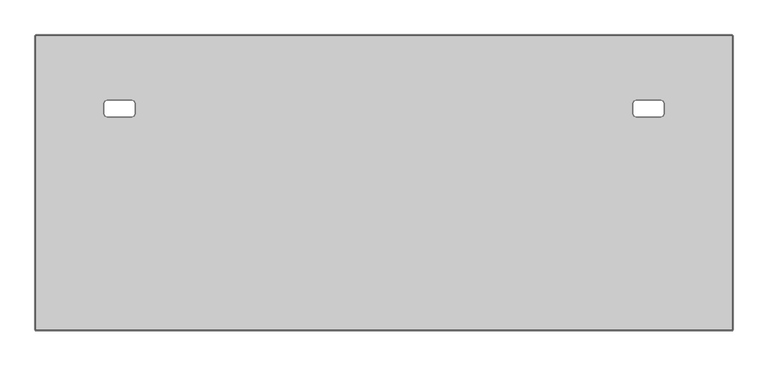
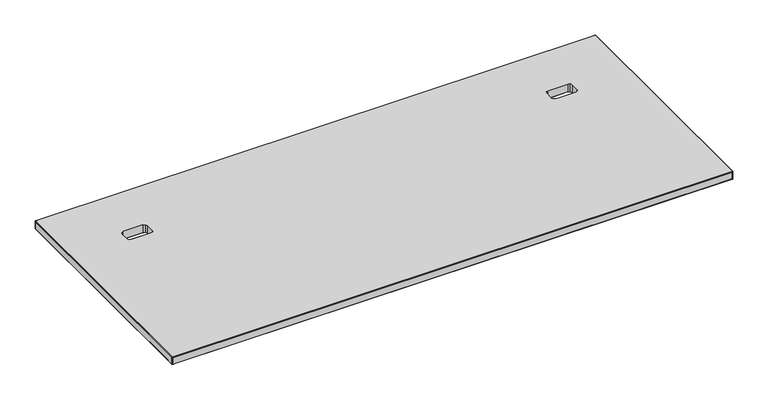
"""IFC4 building model written with IfcOpenShell, lengths in millimetres: furniture geometry."""

from ifc_helpers import new_model, si_unit, origin, place, context, project, spatial, triangles, source, transform, mapped, element, save


def furniture_4c75fda8(model_context):
    return source(origin(), model_context, "Body", "Tessellation", [
        triangles([(254.3709924, -267.0343909, 738.1239864), (2.634996, -824.6684132, 738.1239864), (1826.1504524, -824.6684132, 738.1239864), (1574.4143646, -267.0343909, 738.1239864), (263.9009884, -257.5043949, 738.1239864), (1564.8844231, -257.5043949, 738.1239864), (1567.6756771, -264.2431187, 738.1239864), (261.1097162, -264.2431187, 738.1239864), (263.9009884, -231.098394, 738.1239864), (1564.8844231, -231.098394, 738.1239864), (189.8649915, -267.0343909, 738.1239864), (183.1262677, -264.2431187, 738.1239864), (180.3349955, -257.5043949, 738.1239864), (2.634996, -52.9523956, 738.1239864), (180.3349955, -231.098394, 738.1239864), (1567.6756771, -224.3596702, 738.1239864), (261.1097162, -224.3596702, 738.1239864), (1574.4143646, -221.568398, 738.1239864), (254.3709924, -221.568398, 738.1239864), (183.1262677, -224.3596702, 738.1239864), (189.8649915, -221.568398, 738.1239864), (1826.1504524, -52.9523956, 738.1239864), (1638.9204563, -267.0343909, 738.1239864), (1645.6591438, -264.2431187, 738.1239864), (1648.4503979, -257.5043949, 738.1239864), (1648.4503979, -231.098394, 738.1239864), (1645.6591438, -224.3596702, 738.1239864), (1638.9204563, -221.568398, 738.1239864), (1574.4143646, -267.0343909, 711.1999758), (1826.1504524, -824.6684132, 711.1999758), (2.634996, -824.6684132, 711.1999758), (254.3709924, -267.0343909, 711.1999758), (261.1097162, -264.2431187, 711.1999758), (1567.6756771, -264.2431187, 711.1999758), (1564.8844231, -257.5043949, 711.1999758), (263.9009884, -257.5043949, 711.1999758), (1564.8844231, -231.098394, 711.1999758), (263.9009884, -231.098394, 711.1999758), (189.8649915, -267.0343909, 711.1999758), (183.1262677, -264.2431187, 711.1999758), (180.3349955, -257.5043949, 711.1999758), (180.3349955, -231.098394, 711.1999758), (2.634996, -52.9523956, 711.1999758), (261.1097162, -224.3596702, 711.1999758), (1567.6756771, -224.3596702, 711.1999758), (254.3709924, -221.568398, 711.1999758), (1574.4143646, -221.568398, 711.1999758), (183.1262677, -224.3596702, 711.1999758), (189.8649915, -221.568398, 711.1999758), (1826.1504524, -52.9523956, 711.1999758), (1638.9204563, -267.0343909, 711.1999758), (1645.6591438, -264.2431187, 711.1999758), (1648.4503979, -257.5043949, 711.1999758), (1648.4503979, -231.098394, 711.1999758), (1645.6591438, -224.3596702, 711.1999758), (1638.9204563, -221.568398, 711.1999758)], [[1, 2, 3], [1, 3, 4], [5, 6, 7], [5, 7, 8], [8, 7, 4], [8, 4, 1], [9, 5, 6], [9, 6, 10], [11, 2, 1], [12, 2, 11], [13, 2, 12], [14, 2, 13], [14, 13, 15], [9, 10, 16], [9, 16, 17], [17, 16, 18], [17, 18, 19], [14, 15, 20], [14, 20, 21], [14, 19, 18], [14, 18, 22], [14, 21, 19], [23, 4, 3], [24, 23, 3], [25, 24, 3], [26, 25, 3], [26, 3, 22], [22, 27, 26], [22, 28, 27], [22, 18, 28], [29, 30, 31], [29, 31, 32], [33, 34, 35], [33, 35, 36], [32, 29, 34], [32, 34, 33], [37, 35, 36], [37, 36, 38], [39, 32, 31], [40, 39, 31], [41, 40, 31], [42, 41, 43], [41, 31, 43], [44, 45, 37], [44, 37, 38], [46, 47, 45], [46, 45, 44], [43, 48, 42], [43, 49, 48], [50, 47, 46], [50, 46, 43], [43, 46, 49], [51, 30, 29], [52, 30, 51], [53, 30, 52], [50, 30, 53], [50, 53, 54], [50, 54, 55], [50, 55, 56], [50, 56, 47]], closed=False),
        triangles([(0.634996, -824.6684132, 736.1240358), (1.2207825, -826.0826437, 736.1240358), (1.634996, -825.6684248, 737.5381937), (1.2207825, -824.6684132, 737.5381937), (2.634996, -824.6684132, 738.1239864), (2.634996, -826.0826437, 737.5381937), (2.634996, -826.6683638, 736.1240358), (0.634996, -824.6684132, 713.199999), (1.2207825, -826.0826437, 713.199999), (2.634996, -826.6683638, 713.199999), (0.634996, -52.9523956, 736.1240358), (1.2207825, -51.5381832, 736.1240358), (1.634996, -51.9523976, 737.5381937), (1.2207825, -52.9523956, 737.5381937), (2.634996, -52.9523956, 738.1239864), (2.634996, -51.5381832, 737.5381937), (2.634996, -50.952395, 736.1240358), (0.634996, -52.9523956, 713.199999), (1.2207825, -51.5381832, 713.199999), (2.634996, -50.952395, 713.199999), (1828.1650097, -824.6684132, 736.1240358), (1827.5791443, -826.0826437, 736.1240358), (1827.1649254, -825.6684248, 737.5381937), (1827.5791443, -824.6684132, 737.5381937), (1826.1649864, -824.6684132, 738.1239864), (1826.1649864, -826.0826437, 737.5381937), (1826.1649864, -826.6683638, 736.1240358), (1828.1650097, -824.6684132, 713.199999), (1827.5791443, -826.0826437, 713.199999), (1826.1649864, -826.6683638, 713.199999), (1828.1650097, -52.9523956, 736.1240358), (1827.5791443, -51.5381832, 736.1240358), (1827.5791443, -52.9523956, 737.5381937), (1827.1649254, -51.9523976, 737.5381937), (1826.1649864, -52.9523956, 738.1239864), (1826.1649864, -51.5381832, 737.5381937), (1826.1649864, -50.952395, 736.1240358), (1828.1650097, -52.9523956, 713.199999), (1827.5791443, -51.5381832, 713.199999), (1826.1649864, -50.952395, 713.199999), (1.634996, -825.6684248, 711.7857685), (1.2207825, -824.6684132, 711.7857685), (2.634996, -824.6684132, 711.1999758), (2.634996, -826.0826437, 711.7857685), (1.634996, -51.9523976, 711.7857685), (1.2207825, -52.9523956, 711.7857685), (2.634996, -52.9523956, 711.1999758), (2.634996, -51.5381832, 711.7857685), (1827.1649254, -825.6684248, 711.7857685), (1827.5791443, -824.6684132, 711.7857685), (1826.1649864, -824.6684132, 711.1999758), (1826.1649864, -826.0826437, 711.7857685), (1827.1649254, -51.9523976, 711.7857685), (1827.5791443, -52.9523956, 711.7857685), (1826.1649864, -52.9523956, 711.1999758), (1826.1649864, -51.5381832, 711.7857685), (189.8649915, -221.568398, 738.1239864), (189.8649915, -221.568398, 711.1999758), (254.3709924, -221.568398, 738.1239864), (254.3709924, -221.568398, 711.1999758), (180.3349955, -257.5043949, 738.1239864), (180.3349955, -257.5043949, 711.1999758), (180.3349955, -231.098394, 711.1999758), (180.3349955, -231.098394, 738.1239864), (254.3709924, -267.0343909, 738.1239864), (254.3709924, -267.0343909, 711.1999758), (189.8649915, -267.0343909, 711.1999758), (189.8649915, -267.0343909, 738.1239864), (263.9009884, -231.098394, 738.1239864), (263.9009884, -231.098394, 711.1999758), (263.9009884, -257.5043949, 738.1239864), (263.9009884, -257.5043949, 711.1999758), (1574.4143646, -221.568398, 738.1239864), (1574.4143646, -221.568398, 711.1999758), (1638.9204563, -221.568398, 738.1239864), (1638.9204563, -221.568398, 711.1999758), (1648.4503979, -231.098394, 738.1239864), (1648.4503979, -231.098394, 711.1999758), (1648.4503979, -257.5043949, 738.1239864), (1648.4503979, -257.5043949, 711.1999758), (1638.9204563, -267.0343909, 738.1239864), (1638.9204563, -267.0343909, 711.1999758), (1574.4143646, -267.0343909, 711.1999758), (1574.4143646, -267.0343909, 738.1239864), (1564.8844231, -257.5043949, 738.1239864), (1564.8844231, -257.5043949, 711.1999758), (1564.8844231, -231.098394, 711.1999758), (1564.8844231, -231.098394, 738.1239864), (1567.6756771, -264.2431187, 711.1999758), (1567.6756771, -264.2431187, 738.1239864), (1645.6591438, -224.3596702, 711.1999758), (1645.6591438, -224.3596702, 738.1239864), (1645.6591438, -264.2431187, 711.1999758), (1645.6591438, -264.2431187, 738.1239864), (1567.6756771, -224.3596702, 738.1239864), (1567.6756771, -224.3596702, 711.1999758), (261.1097162, -264.2431187, 738.1239864), (261.1097162, -264.2431187, 711.1999758), (183.1262677, -224.3596702, 711.1999758), (183.1262677, -224.3596702, 738.1239864), (183.1262677, -264.2431187, 711.1999758), (183.1262677, -264.2431187, 738.1239864), (261.1097162, -224.3596702, 711.1999758), (261.1097162, -224.3596702, 738.1239864)], [[1, 2, 3], [1, 3, 4], [4, 3, 5], [5, 6, 3], [3, 6, 2], [6, 7, 2], [1, 8, 9], [1, 9, 2], [2, 9, 10], [2, 10, 7], [11, 12, 13], [11, 13, 14], [14, 13, 15], [15, 16, 13], [13, 16, 12], [16, 17, 12], [11, 18, 19], [11, 19, 12], [12, 19, 20], [12, 20, 17], [21, 22, 23], [21, 23, 24], [24, 23, 25], [25, 26, 23], [23, 26, 27], [23, 27, 22], [21, 28, 29], [21, 29, 22], [22, 29, 30], [22, 30, 27], [31, 32, 33], [32, 34, 33], [33, 34, 35], [35, 36, 34], [34, 36, 37], [34, 37, 32], [31, 38, 39], [31, 39, 32], [32, 39, 40], [32, 40, 37], [5, 25, 26], [5, 26, 6], [6, 26, 27], [6, 27, 7], [15, 5, 4], [15, 4, 14], [14, 4, 1], [14, 1, 11], [35, 15, 16], [35, 16, 36], [36, 16, 17], [36, 17, 37], [25, 35, 33], [25, 33, 24], [24, 33, 31], [24, 31, 21], [7, 10, 30], [7, 30, 27], [21, 28, 38], [21, 38, 31], [11, 18, 8], [11, 8, 1], [37, 40, 20], [37, 20, 17], [8, 9, 41], [8, 41, 42], [42, 41, 43], [43, 44, 41], [41, 44, 10], [41, 10, 9], [18, 19, 45], [18, 45, 46], [46, 45, 47], [47, 48, 45], [45, 48, 20], [45, 20, 19], [28, 29, 49], [28, 49, 50], [50, 49, 51], [51, 52, 49], [49, 52, 29], [52, 30, 29], [38, 39, 53], [38, 53, 54], [54, 53, 55], [55, 56, 53], [53, 56, 39], [56, 40, 39], [43, 51, 52], [43, 52, 44], [44, 52, 30], [44, 30, 10], [47, 43, 42], [47, 42, 46], [46, 42, 8], [46, 8, 18], [55, 47, 48], [55, 48, 56], [56, 48, 20], [56, 20, 40], [51, 55, 54], [51, 54, 50], [50, 54, 38], [50, 38, 28], [57, 58, 59], [58, 60, 59], [61, 62, 63], [61, 63, 64], [65, 66, 67], [65, 67, 68], [69, 70, 71], [70, 72, 71], [73, 74, 75], [74, 76, 75], [77, 78, 79], [78, 80, 79], [81, 82, 83], [81, 83, 84], [85, 86, 87], [85, 87, 88], [85, 86, 89], [85, 89, 90], [90, 89, 83], [90, 83, 84], [77, 78, 91], [77, 91, 92], [92, 91, 76], [92, 76, 75], [81, 82, 93], [81, 93, 94], [94, 93, 80], [94, 80, 79], [87, 88, 95], [87, 95, 96], [96, 95, 73], [96, 73, 74], [71, 72, 97], [72, 98, 97], [97, 98, 66], [97, 66, 65], [64, 63, 99], [64, 99, 100], [100, 99, 57], [99, 58, 57], [68, 67, 101], [68, 101, 102], [102, 101, 62], [102, 62, 61], [70, 69, 103], [69, 104, 103], [103, 104, 60], [104, 59, 60]], closed=False),
    ])


if __name__ == "__main__":
    model = new_model("IFC4")
    model_context = context("Model", 3, world=origin())
    ifc_project = project(units=[si_unit("LENGTHUNIT", "METRE", prefix="MILLI")], contexts=[model_context])
    site = spatial("IfcSite", under=ifc_project)
    building = spatial("IfcBuilding", under=site)
    placement = place(None, origin())
    furniture_shape = furniture_4c75fda8(model_context)
    element("IfcFurniture", 1, at=placement, inside=building, context=model_context, shape_type="MappedRepresentation", body=[
        mapped(furniture_shape, transform((0.0, 0.0, 0.0), x_axis=(1.0, 0.0, 0.0), y_axis=(0.0, 1.0, 0.0), z_axis=(0.0, 0.0, 1.0))),
    ])
    save(model, "model.ifc")
